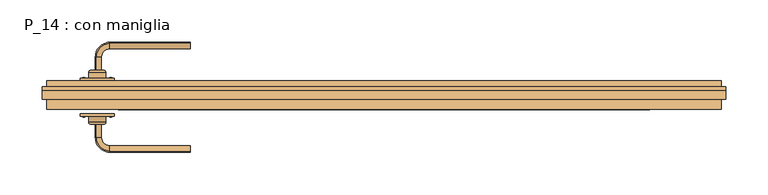
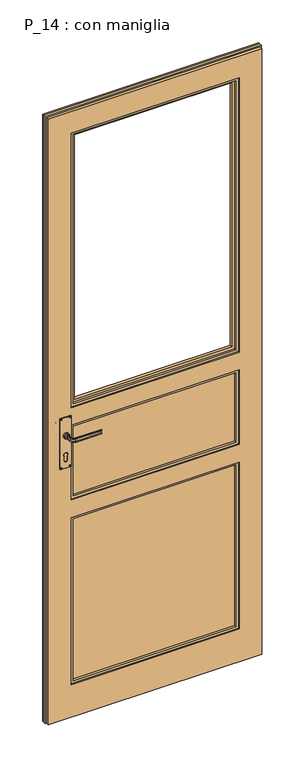
"""IFC4 building model written with IfcOpenShell, lengths in millimetres: door geometry, P_14 : con maniglia."""

from ifc_helpers import new_model, si_unit, point, frame, frame_2d, origin, place, context, project, spatial, polyline, circle_curve, ellipse_curve, trimmed, segment, composite_curve, outline, extrude, faceted_brep, source, transform, mapped, element, save
from ifc_brep_helpers import plane_surface, cylinder_surface, revolved_surface, extruded_surface, advanced_brep


def p_14_con_maniglia_9739fcd3(model_context):
    return source(origin(), model_context, "Body", "SolidModel", [
        advanced_brep(
        [(-340.2627725, 50.5, 1137.25687), (-340.8631279, 50.5, 1123.0401367), (-339.4701466, 50.5, 1125.089211), (-339.4701466, 50.5, 1134.910789), (-229.0, 18.7372275, 1137.25687), (-229.0, 19.5298534, 1134.910789), (-229.0, 19.5298534, 1125.089211), (-229.0, 18.1368721, 1123.0401367), (-340.2627725, 35.0, 1137.25687), (-340.8631279, 35.0, 1123.0401367), (-324.0, 18.7372275, 1137.25687), (-324.0, 18.1368721, 1123.0401367), (-339.4701466, 35.0, 1134.910789), (-339.4701466, 35.0, 1125.089211), (-324.0, 19.5298534, 1134.910789), (-324.0, 19.5298534, 1125.089211)],
        [
            (0, 1, ellipse_curve(frame((-339.0, 50.5, 1130.0), z_axis=(0.0, 1.0, 0.0), x_axis=(0.0, 0.0, -1.0)), 7.5, 5.0)),
            (1, 2, circle_curve(frame((-340.0289365, 50.5, 1123.9710635), z_axis=(0.0, 1.0, 0.0), x_axis=(-1.0, 0.0, 0.0)), 1.25)),
            (2, 3, ellipse_curve(frame((-339.0, 50.5, 1130.0), z_axis=(0.0, -1.0, 0.0), x_axis=(1.0, 0.0, 0.0)), 2.5, 5.0)),
            (3, 0, circle_curve(frame((-340.0289365, 50.5, 1136.0289365), z_axis=(0.0, 1.0, 0.0), x_axis=(-1.0, 0.0, 0.0)), 1.25)),
            (4, 5, circle_curve(frame((-229.0, 18.9710635, 1136.0289365), z_axis=(1.0, 0.0, 0.0), x_axis=(0.0, -1.0, 0.0)), 1.25)),
            (5, 6, ellipse_curve(frame((-229.0, 20.0, 1130.0), z_axis=(-1.0, 0.0, 0.0), x_axis=(0.0, 1.0, 0.0)), 2.5, 5.0)),
            (6, 7, circle_curve(frame((-229.0, 18.9710635, 1123.9710635), z_axis=(1.0, 0.0, 0.0), x_axis=(0.0, -1.0, 0.0)), 1.25)),
            (7, 4, ellipse_curve(frame((-229.0, 20.0, 1130.0), z_axis=(1.0, 0.0, 0.0), x_axis=(0.0, 0.0, -1.0)), 7.5, 5.0)),
            (0, 8),
            (8, 9, ellipse_curve(frame((-339.0, 35.0, 1130.0), z_axis=(0.0, 1.0, 0.0), x_axis=(0.0, 0.0, -1.0)), 7.5, 5.0)),
            (9, 1),
            (10, 4),
            (7, 11),
            (11, 10, ellipse_curve(frame((-324.0, 20.0, 1130.0), z_axis=(1.0, 0.0, 0.0), x_axis=(0.0, 0.0, -1.0)), 7.5, 5.0)),
            (3, 12),
            (12, 8, circle_curve(frame((-340.0289365, 35.0, 1136.0289365), z_axis=(0.0, 1.0, 0.0), x_axis=(-1.0, 0.0, 0.0)), 1.25)),
            (2, 13),
            (13, 12, ellipse_curve(frame((-339.0, 35.0, 1130.0), z_axis=(0.0, -1.0, 0.0), x_axis=(0.0, 0.0, -1.0)), 5.0, 2.5)),
            (9, 13, circle_curve(frame((-340.0289365, 35.0, 1123.9710635), z_axis=(0.0, 1.0, 0.0), x_axis=(-1.0, 0.0, 0.0)), 1.25)),
            (14, 5),
            (10, 14, circle_curve(frame((-324.0, 18.9710635, 1136.0289365), z_axis=(1.0, 0.0, 0.0), x_axis=(0.0, -1.0, 0.0)), 1.25)),
            (15, 6),
            (14, 15, ellipse_curve(frame((-324.0, 20.0, 1130.0), z_axis=(-1.0, 0.0, 0.0), x_axis=(0.0, 0.0, -1.0)), 5.0, 2.5)),
            (15, 11, circle_curve(frame((-324.0, 18.9710635, 1123.9710635), z_axis=(1.0, 0.0, 0.0), x_axis=(0.0, -1.0, 0.0)), 1.25)),
            (10, 8, circle_curve(frame((-324.0, 35.0, 1137.25687), z_axis=(0.0, 0.0, -1.0), x_axis=(-1.0, 0.0, 0.0)), 16.2627725)),
            (12, 14, circle_curve(frame((-324.0, 35.0, 1134.910789), z_axis=(0.0, 0.0, 1.0), x_axis=(-1.0, 0.0, 0.0)), 15.4701466)),
            (13, 15, circle_curve(frame((-324.0, 35.0, 1125.089211), z_axis=(0.0, 0.0, 1.0), x_axis=(-1.0, 0.0, 0.0)), 15.4701466)),
            (9, 11, circle_curve(frame((-324.0, 35.0, 1123.0401367), z_axis=(0.0, 0.0, 1.0), x_axis=(-1.0, 0.0, 0.0)), 16.8631279)),
        ],
        [
            plane_surface(frame((-339.0, 50.5, 0.0), z_axis=(0.0, 1.0, 0.0), x_axis=(0.0, 0.0, 1.0))),
            plane_surface(frame((-229.0, 20.0, 0.0), z_axis=(1.0, 0.0, 0.0), x_axis=(0.0, 0.0, 1.0))),
            extruded_surface(trimmed(ellipse_curve(frame((-339.0, 50.5, 1130.0), z_axis=(0.0, -1.0, 0.0), x_axis=(0.0, 0.0, -1.0)), 7.5, 5.0), [point((-340.8631279, 50.5, 1123.0401367))], [point((-340.2627725, 50.5, 1137.25687))], True, "CARTESIAN"), (0.0, -15.5, 0.0), 15.5),
            extruded_surface(trimmed(ellipse_curve(frame((-324.0, 20.0, 1130.0), z_axis=(1.0, 0.0, 0.0), x_axis=(0.0, 0.0, -1.0)), 7.5, 5.0), [point((-324.0, 18.1368721, 1123.0401367))], [point((-324.0, 18.7372275, 1137.25687))], True, "CARTESIAN"), (95.0, 0.0, 0.0), 95.0),
            cylinder_surface(frame((-340.0289365, 50.5, 1136.0289365), z_axis=(0.0, 1.0, 0.0), x_axis=(-1.0, 0.0, 0.0)), 1.25),
            extruded_surface(trimmed(ellipse_curve(frame((-339.0, 50.5, 1130.0), z_axis=(0.0, 1.0, 0.0), x_axis=(1.0, 0.0, 0.0)), 2.5, 5.0), [point((-339.4701466, 50.5, 1134.910789))], [point((-339.4701466, 50.5, 1125.089211))], True, "CARTESIAN"), (0.0, -15.5, 0.0), 15.5),
            cylinder_surface(frame((-340.0289365, 50.5, 1123.9710635), z_axis=(0.0, 1.0, 0.0), x_axis=(-1.0, 0.0, 0.0)), 1.25),
            cylinder_surface(frame((-324.0, 18.9710635, 1136.0289365), z_axis=(-1.0, 0.0, 0.0), x_axis=(0.0, -1.0, 0.0)), 1.25),
            extruded_surface(trimmed(ellipse_curve(frame((-324.0, 20.0, 1130.0), z_axis=(-1.0, 0.0, 0.0), x_axis=(0.0, 1.0, 0.0)), 2.5, 5.0), [point((-324.0, 19.5298534, 1134.910789))], [point((-324.0, 19.5298534, 1125.089211))], True, "CARTESIAN"), (95.0, 0.0, 0.0), 95.0),
            cylinder_surface(frame((-324.0, 18.9710635, 1123.9710635), z_axis=(-1.0, 0.0, 0.0), x_axis=(0.0, -1.0, 0.0)), 1.25),
            revolved_surface(trimmed(ellipse_curve(frame((-340.0289365, 35.0, 1136.0289365), z_axis=(0.0, -1.0, 0.0), x_axis=(-1.0, 0.0, 0.0)), 1.25, 1.25), [point((-340.2627725, 35.0, 1137.25687))], [point((-339.4701466, 35.0, 1134.910789))], True, "CARTESIAN"), (-324.0, 35.0, 0.0), (0.0, 0.0, -1.0)),
            revolved_surface(trimmed(ellipse_curve(frame((-339.0, 35.0, 1130.0), z_axis=(0.0, 1.0, 0.0), x_axis=(1.0, 0.0, 0.0)), 2.5, 5.0), [point((-339.4701466, 35.0, 1134.910789))], [point((-339.4701466, 35.0, 1125.089211))], True, "CARTESIAN"), (-324.0, 35.0, 0.0), (0.0, 0.0, -1.0)),
            revolved_surface(trimmed(ellipse_curve(frame((-340.0289365, 35.0, 1123.9710635), z_axis=(0.0, -1.0, 0.0), x_axis=(-1.0, 0.0, 0.0)), 1.25, 1.25), [point((-339.4701466, 35.0, 1125.089211))], [point((-340.8631279, 35.0, 1123.0401367))], True, "CARTESIAN"), (-324.0, 35.0, 0.0), (0.0, 0.0, -1.0)),
            revolved_surface(trimmed(ellipse_curve(frame((-339.0, 35.0, 1130.0), z_axis=(0.0, -1.0, 0.0), x_axis=(0.0, 0.0, -1.0)), 7.5, 5.0), [point((-340.8631279, 35.0, 1123.0401367))], [point((-340.2627725, 35.0, 1137.25687))], True, "CARTESIAN"), (-324.0, 35.0, 0.0), (0.0, 0.0, -1.0)),
        ],
        [
            (0, [[1, 2, 3, 4]]),
            (1, [[5, 6, 7, 8]]),
            (2, [[9, 10, 11, -1]]),
            (3, [[12, -8, 13, 14]]),
            (4, [[15, 16, -9, -4]]),
            (5, [[17, 18, -15, -3]]),
            (6, [[-11, 19, -17, -2]]),
            (7, [[20, -5, -12, 21]]),
            (8, [[22, -6, -20, 23]]),
            (9, [[-13, -7, -22, 24]]),
            (10, [[-21, 25, -16, 26]]),
            (11, [[-23, -26, -18, 27]]),
            (12, [[-24, -27, -19, 28]]),
            (13, [[-14, -28, -10, -25]]),
        ],
    ),
        advanced_brep(
        [(-331.5, 50.5, 1130.0), (-339.0, 50.5, 1130.0), (-346.5, 50.5, 1130.0), (-329.0, 53.0, 1130.0), (-349.0, 53.0, 1130.0), (-329.0, 60.0, 1130.0), (-349.0, 60.0, 1130.0), (-339.0, 60.0, 1130.0)],
        [
            (0, 1),
            (1, 2),
            (2, 0, circle_curve(frame((-339.0, 50.5, 1130.0), z_axis=(0.0, -1.0, 0.0), x_axis=(-1.0, 0.0, 0.0)), 7.5)),
            (0, 2, circle_curve(frame((-339.0, 50.5, 1130.0), z_axis=(0.0, -1.0, 0.0), x_axis=(-1.0, 0.0, 0.0)), 7.5)),
            (3, 0, circle_curve(frame((-331.5, 53.0, 1130.0), z_axis=(0.0, 0.0, -1.0), x_axis=(-1.0, 0.0, 0.0)), 2.5)),
            (2, 4, circle_curve(frame((-346.5, 53.0, 1130.0), z_axis=(0.0, 0.0, -1.0), x_axis=(1.0, 0.0, 0.0)), 2.5)),
            (4, 3, circle_curve(frame((-339.0, 53.0, 1130.0), z_axis=(0.0, -1.0, 0.0), x_axis=(-1.0, 0.0, 0.0)), 10.0)),
            (3, 4, circle_curve(frame((-339.0, 53.0, 1130.0), z_axis=(0.0, -1.0, 0.0), x_axis=(-1.0, 0.0, 0.0)), 10.0)),
            (5, 3),
            (4, 6),
            (6, 5, circle_curve(frame((-339.0, 60.0, 1130.0), z_axis=(0.0, -1.0, 0.0), x_axis=(-1.0, 0.0, 0.0)), 10.0)),
            (5, 6, circle_curve(frame((-339.0, 60.0, 1130.0), z_axis=(0.0, -1.0, 0.0), x_axis=(-1.0, 0.0, 0.0)), 10.0)),
            (7, 5),
            (6, 7),
        ],
        [
            plane_surface(frame((-339.0, 50.5, 1130.0), z_axis=(0.0, -1.0, 0.0), x_axis=(-1.0, 0.0, 0.0))),
            revolved_surface(trimmed(ellipse_curve(frame((-346.5, 53.0, 1130.0), z_axis=(0.0, 0.0, -1.0), x_axis=(1.0, 0.0, 0.0)), 2.5, 2.5), [point((-346.5, 50.5, 1130.0))], [point((-349.0, 53.0, 1130.0))], True, "CARTESIAN"), (-339.0, 53.0, 1130.0), (0.0, 1.0, 0.0)),
            cylinder_surface(frame((-339.0, 53.0, 1130.0), z_axis=(0.0, 1.0, 0.0), x_axis=(-1.0, 0.0, 0.0)), 10.0),
            plane_surface(frame((-339.0, 60.0, 1130.0), z_axis=(0.0, 1.0, 0.0), x_axis=(-1.0, 0.0, 0.0))),
        ],
        [
            (0, [[1, 2, 3]]),
            (0, [[-2, -1, 4]]),
            (1, [[5, -3, 6, 7]]),
            (1, [[-6, -4, -5, 8]]),
            (2, [[9, -7, 10, 11]]),
            (2, [[-10, -8, -9, 12]]),
            (3, [[13, -11, 14]]),
            (3, [[-14, -12, -13]]),
        ],
    ),
        advanced_brep(
        [(-357.2384844, 60.0, 1004.0384844), (-355.0, 60.0, 1004.0384844), (-352.7615156, 60.0, 1004.0384844), (-355.0, 59.0934411, 1004.0384844)],
        [
            (0, 1),
            (1, 2),
            (2, 0, circle_curve(frame((-355.0, 60.0, 1004.0384844), z_axis=(0.0, 1.0, 0.0), x_axis=(1.0, 0.0, 0.0)), 2.2384844)),
            (0, 2, circle_curve(frame((-355.0, 60.0, 1004.0384844), z_axis=(0.0, 1.0, 0.0), x_axis=(1.0, 0.0, 0.0)), 2.2384844)),
            (3, 0, circle_curve(frame((-355.0, 62.3103648, 1004.0384844), z_axis=(0.0, 0.0, -1.0), x_axis=(0.0, -1.0, 0.0)), 3.2169236)),
            (2, 3, circle_curve(frame((-355.0, 62.3103648, 1004.0384844), z_axis=(0.0, 0.0, -1.0), x_axis=(0.0, -1.0, 0.0)), 3.2169236)),
        ],
        [
            plane_surface(frame((-355.0, 60.0, 1004.0384844), z_axis=(0.0, 1.0, 0.0), x_axis=(1.0, 0.0, 0.0))),
            revolved_surface(trimmed(ellipse_curve(frame((-355.0, 62.3103648, 1004.0384844), z_axis=(0.0, 0.0, -1.0), x_axis=(0.0, -1.0, 0.0)), 3.2169236, 3.2169236), [point((-352.7615156, 60.0, 1004.0384844))], [point((-355.0, 59.0934411, 1004.0384844))], True, "CARTESIAN"), (-355.0, 65.6130164, 1004.0384844), (0.0, -1.0, 0.0)),
        ],
        [
            (0, [[1, 2, 3]]),
            (0, [[-2, -1, 4]]),
            (1, [[5, -3, 6]]),
            (1, [[-6, -4, -5]]),
        ],
    ),
        advanced_brep(
        [(-323.0, 60.0, 1004.0384844), (-320.7615156, 60.0, 1004.0384844), (-325.2384844, 60.0, 1004.0384844), (-323.0, 59.0934411, 1004.0384844)],
        [
            (0, 1),
            (1, 2, circle_curve(frame((-323.0, 60.0, 1004.0384844), z_axis=(0.0, 1.0, 0.0), x_axis=(-1.0, 0.0, 0.0)), 2.2384844)),
            (2, 0),
            (2, 1, circle_curve(frame((-323.0, 60.0, 1004.0384844), z_axis=(0.0, 1.0, 0.0), x_axis=(-1.0, 0.0, 0.0)), 2.2384844)),
            (1, 3, circle_curve(frame((-323.0, 62.3103648, 1004.0384844), z_axis=(0.0, 0.0, -1.0), x_axis=(0.0, 1.0, 0.0)), 3.2169236)),
            (3, 2, circle_curve(frame((-323.0, 62.3103648, 1004.0384844), z_axis=(0.0, 0.0, -1.0), x_axis=(0.0, 1.0, 0.0)), 3.2169236)),
        ],
        [
            plane_surface(frame((-323.0, 60.0, 1004.0384844), z_axis=(0.0, 1.0, 0.0), x_axis=(-1.0, 0.0, 0.0))),
            revolved_surface(trimmed(ellipse_curve(frame((-323.0, 62.3103648, 1004.0384844), z_axis=(0.0, 0.0, -1.0), x_axis=(0.0, 1.0, 0.0)), 3.2169236, 3.2169236), [point((-323.0, 59.0934411, 1004.0384844))], [point((-325.2384844, 60.0, 1004.0384844))], True, "CARTESIAN"), (-323.0, 65.6130164, 1004.0384844), (0.0, 1.0, 0.0)),
        ],
        [
            (0, [[1, 2, 3]]),
            (0, [[-3, 4, -1]]),
            (1, [[5, 6, -2]]),
            (1, [[-6, -5, -4]]),
        ],
    ),
        advanced_brep(
        [(-357.2384844, 60.0, 1195.9615156), (-355.0, 60.0, 1195.9615156), (-352.7615156, 60.0, 1195.9615156), (-355.0, 59.0934411, 1195.9615156)],
        [
            (0, 1),
            (1, 2),
            (2, 0, circle_curve(frame((-355.0, 60.0, 1195.9615156), z_axis=(0.0, 1.0, 0.0), x_axis=(1.0, 0.0, 0.0)), 2.2384844)),
            (0, 2, circle_curve(frame((-355.0, 60.0, 1195.9615156), z_axis=(0.0, 1.0, 0.0), x_axis=(1.0, 0.0, 0.0)), 2.2384844)),
            (3, 0, circle_curve(frame((-355.0, 62.3103648, 1195.9615156), z_axis=(0.0, 0.0, -1.0), x_axis=(1.0, 0.0, 0.0)), 3.2169236)),
            (2, 3, circle_curve(frame((-355.0, 62.3103648, 1195.9615156), z_axis=(0.0, 0.0, -1.0), x_axis=(-1.0, 0.0, 0.0)), 3.2169236)),
        ],
        [
            plane_surface(frame((-355.0, 60.0, 1195.9615156), z_axis=(0.0, 1.0, 0.0), x_axis=(1.0, 0.0, 0.0))),
            revolved_surface(trimmed(ellipse_curve(frame((-355.0, 62.3103648, 1195.9615156), z_axis=(0.0, 0.0, -1.0), x_axis=(-1.0, 0.0, 0.0)), 3.2169236, 3.2169236), [point((-352.7615156, 60.0, 1195.9615156))], [point((-355.0, 59.0934411, 1195.9615156))], True, "CARTESIAN"), (-355.0, 65.6130164, 1195.9615156), (0.0, -1.0, 0.0)),
        ],
        [
            (0, [[1, 2, 3]]),
            (0, [[-2, -1, 4]]),
            (1, [[5, -3, 6]]),
            (1, [[-6, -4, -5]]),
        ],
    ),
        advanced_brep(
        [(-323.0, 60.0, 1195.9615156), (-320.7615156, 60.0, 1195.9615156), (-325.2384844, 60.0, 1195.9615156), (-323.0, 59.0934411, 1195.9615156)],
        [
            (0, 1),
            (1, 2, circle_curve(frame((-323.0, 60.0, 1195.9615156), z_axis=(0.0, 1.0, 0.0), x_axis=(-1.0, 0.0, 0.0)), 2.2384844)),
            (2, 0),
            (2, 1, circle_curve(frame((-323.0, 60.0, 1195.9615156), z_axis=(0.0, 1.0, 0.0), x_axis=(-1.0, 0.0, 0.0)), 2.2384844)),
            (1, 3, circle_curve(frame((-323.0, 62.3103648, 1195.9615156), z_axis=(0.0, 0.0, -1.0), x_axis=(-1.0, 0.0, 0.0)), 3.2169236)),
            (3, 2, circle_curve(frame((-323.0, 62.3103648, 1195.9615156), z_axis=(0.0, 0.0, -1.0), x_axis=(1.0, 0.0, 0.0)), 3.2169236)),
        ],
        [
            plane_surface(frame((-323.0, 60.0, 1195.9615156), z_axis=(0.0, 1.0, 0.0), x_axis=(-1.0, 0.0, 0.0))),
            revolved_surface(trimmed(ellipse_curve(frame((-323.0, 62.3103648, 1195.9615156), z_axis=(0.0, 0.0, -1.0), x_axis=(1.0, 0.0, 0.0)), 3.2169236, 3.2169236), [point((-323.0, 59.0934411, 1195.9615156))], [point((-325.2384844, 60.0, 1195.9615156))], True, "CARTESIAN"), (-323.0, 65.6130164, 1195.9615156), (0.0, 1.0, 0.0)),
        ],
        [
            (0, [[1, 2, 3]]),
            (0, [[-3, 4, -1]]),
            (1, [[5, 6, -2]]),
            (1, [[-6, -5, -4]]),
        ],
    ),
        extrude(outline(composite_curve([segment(trimmed(circle_curve(frame_2d((1196.0, -323.0)), 2.0), [point((1196.0, -321.0))], [point((1196.0, -325.0))], False, "CARTESIAN"), True, "CONTINUOUS"), segment(trimmed(circle_curve(frame_2d((1196.0, -323.0)), 2.0), [point((1196.0, -325.0))], [point((1196.0, -321.0))], False, "CARTESIAN"), True, "CONTINUOUS")], self_intersect=False)), frame((0.0, 60.0, 0.0), z_axis=(0.0, 1.0, 0.0), x_axis=(0.0, 0.0, 1.0)), (0.0, 0.0, 1.0), 3.0),
        extrude(outline(composite_curve([segment(trimmed(circle_curve(frame_2d((1196.0, -355.0)), 2.0), [point((1196.0, -357.0))], [point((1196.0, -353.0))], False, "CARTESIAN"), True, "CONTINUOUS"), segment(trimmed(circle_curve(frame_2d((1196.0, -355.0)), 2.0), [point((1196.0, -353.0))], [point((1196.0, -357.0))], False, "CARTESIAN"), True, "CONTINUOUS")], self_intersect=False)), frame((0.0, 60.0, 0.0), z_axis=(0.0, 1.0, 0.0), x_axis=(0.0, 0.0, 1.0)), (0.0, 0.0, 1.0), 3.0),
        extrude(outline(composite_curve([segment(trimmed(circle_curve(frame_2d((1004.0, -323.0)), 2.0), [point((1004.0, -325.0))], [point((1004.0, -321.0))], False, "CARTESIAN"), True, "CONTINUOUS"), segment(trimmed(circle_curve(frame_2d((1004.0, -323.0)), 2.0), [point((1004.0, -321.0))], [point((1004.0, -325.0))], False, "CARTESIAN"), True, "CONTINUOUS")], self_intersect=False)), frame((0.0, 60.0, 0.0), z_axis=(0.0, 1.0, 0.0), x_axis=(0.0, 0.0, 1.0)), (0.0, 0.0, 1.0), 3.0),
        extrude(outline(composite_curve([segment(trimmed(circle_curve(frame_2d((1004.0, -355.0)), 2.0), [point((1004.0, -357.0))], [point((1004.0, -353.0))], False, "CARTESIAN"), True, "CONTINUOUS"), segment(trimmed(circle_curve(frame_2d((1004.0, -355.0)), 2.0), [point((1004.0, -353.0))], [point((1004.0, -357.0))], False, "CARTESIAN"), True, "CONTINUOUS")], self_intersect=False)), frame((0.0, 60.0, 0.0), z_axis=(0.0, 1.0, 0.0), x_axis=(0.0, 0.0, 1.0)), (0.0, 0.0, 1.0), 3.0),
        extrude(outline(composite_curve([segment(polyline([(1046.9098301, -344.0), (1030.0, -344.0)]), True, "CONTINUOUS"), segment(trimmed(circle_curve(frame_2d((1030.0, -339.0)), 5.0), [point((1030.0, -344.0))], [point((1030.0, -334.0))], False, "CARTESIAN"), True, "CONTINUOUS"), segment(polyline([(1030.0, -334.0), (1046.9098301, -334.0)]), True, "CONTINUOUS"), segment(trimmed(circle_curve(frame_2d((1052.5, -339.0)), 7.5), [point((1046.9098301, -334.0))], [point((1046.9098301, -344.0))], False, "CARTESIAN"), True, "CONTINUOUS")], self_intersect=False)), frame((0.0, 61.0, 0.0), z_axis=(0.0, 1.0, 0.0), x_axis=(0.0, 0.0, 1.0)), (0.0, 0.0, 1.0), 2.0),
        extrude(outline(polyline([(1200.0, -359.0), (1000.0, -359.0), (1000.0, -319.0), (1200.0, -319.0), (1200.0, -359.0)]), holes=[composite_curve([segment(polyline([(1046.9098301, -334.0), (1030.0, -334.0)]), True, "CONTINUOUS"), segment(trimmed(circle_curve(frame_2d((1030.0, -339.0)), 5.0), [point((1030.0, -334.0))], [point((1030.0, -344.0))], True, "CARTESIAN"), True, "CONTINUOUS"), segment(polyline([(1030.0, -344.0), (1046.9098301, -344.0)]), True, "CONTINUOUS"), segment(trimmed(circle_curve(frame_2d((1052.5, -339.0)), 7.5), [point((1046.9098301, -344.0))], [point((1046.9098301, -334.0))], True, "CARTESIAN"), True, "CONTINUOUS")], self_intersect=False), composite_curve([segment(trimmed(circle_curve(frame_2d((1004.0, -323.0)), 2.0), [point((1004.0, -321.0))], [point((1004.0, -325.0))], True, "CARTESIAN"), True, "CONTINUOUS"), segment(trimmed(circle_curve(frame_2d((1004.0, -323.0)), 2.0), [point((1004.0, -325.0))], [point((1004.0, -321.0))], True, "CARTESIAN"), True, "CONTINUOUS")], self_intersect=False), composite_curve([segment(trimmed(circle_curve(frame_2d((1004.0, -355.0)), 2.0), [point((1004.0, -353.0))], [point((1004.0, -357.0))], True, "CARTESIAN"), True, "CONTINUOUS"), segment(trimmed(circle_curve(frame_2d((1004.0, -355.0)), 2.0), [point((1004.0, -357.0))], [point((1004.0, -353.0))], True, "CARTESIAN"), True, "CONTINUOUS")], self_intersect=False), composite_curve([segment(trimmed(circle_curve(frame_2d((1196.0, -323.0)), 2.0), [point((1196.0, -321.0))], [point((1196.0, -325.0))], True, "CARTESIAN"), True, "CONTINUOUS"), segment(trimmed(circle_curve(frame_2d((1196.0, -323.0)), 2.0), [point((1196.0, -325.0))], [point((1196.0, -321.0))], True, "CARTESIAN"), True, "CONTINUOUS")], self_intersect=False), composite_curve([segment(trimmed(circle_curve(frame_2d((1196.0, -355.0)), 2.0), [point((1196.0, -353.0))], [point((1196.0, -357.0))], True, "CARTESIAN"), True, "CONTINUOUS"), segment(trimmed(circle_curve(frame_2d((1196.0, -355.0)), 2.0), [point((1196.0, -357.0))], [point((1196.0, -353.0))], True, "CARTESIAN"), True, "CONTINUOUS")], self_intersect=False)]), frame((0.0, 60.0, 0.0), z_axis=(0.0, 1.0, 0.0), x_axis=(0.0, 0.0, 1.0)), (0.0, 0.0, 1.0), 3.0),
        advanced_brep(
        [(-340.2627725, 114.5, 1137.25687), (-339.4701466, 114.5, 1134.910789), (-339.4701466, 114.5, 1125.089211), (-340.8631279, 114.5, 1123.0401367), (-229.0, 146.2627725, 1137.25687), (-229.0, 146.8631279, 1123.0401367), (-229.0, 145.4701466, 1125.089211), (-229.0, 145.4701466, 1134.910789), (-340.8631279, 130.0, 1123.0401367), (-340.2627725, 130.0, 1137.25687), (-324.0, 146.2627725, 1137.25687), (-324.0, 146.8631279, 1123.0401367), (-339.4701466, 130.0, 1134.910789), (-339.4701466, 130.0, 1125.089211), (-324.0, 145.4701466, 1134.910789), (-324.0, 145.4701466, 1125.089211)],
        [
            (0, 1, circle_curve(frame((-340.0289365, 114.5, 1136.0289365), z_axis=(0.0, -1.0, 0.0), x_axis=(-1.0, 0.0, 0.0)), 1.25)),
            (1, 2, ellipse_curve(frame((-339.0, 114.5, 1130.0), z_axis=(0.0, 1.0, 0.0), x_axis=(1.0, 0.0, 0.0)), 2.5, 5.0)),
            (2, 3, circle_curve(frame((-340.0289365, 114.5, 1123.9710635), z_axis=(0.0, -1.0, 0.0), x_axis=(-1.0, 0.0, 0.0)), 1.25)),
            (3, 0, ellipse_curve(frame((-339.0, 114.5, 1130.0), z_axis=(0.0, -1.0, 0.0), x_axis=(0.0, 0.0, -1.0)), 7.5, 5.0)),
            (4, 5, ellipse_curve(frame((-229.0, 145.0, 1130.0), z_axis=(1.0, 0.0, 0.0), x_axis=(0.0, 0.0, -1.0)), 7.5, 5.0)),
            (5, 6, circle_curve(frame((-229.0, 146.0289365, 1123.9710635), z_axis=(1.0, 0.0, 0.0), x_axis=(0.0, 1.0, 0.0)), 1.25)),
            (6, 7, ellipse_curve(frame((-229.0, 145.0, 1130.0), z_axis=(-1.0, 0.0, 0.0), x_axis=(0.0, -1.0, 0.0)), 2.5, 5.0)),
            (7, 4, circle_curve(frame((-229.0, 146.0289365, 1136.0289365), z_axis=(1.0, 0.0, 0.0), x_axis=(0.0, 1.0, 0.0)), 1.25)),
            (3, 8),
            (8, 9, ellipse_curve(frame((-339.0, 130.0, 1130.0), z_axis=(0.0, -1.0, 0.0), x_axis=(0.0, 0.0, -1.0)), 7.5, 5.0)),
            (9, 0),
            (10, 11, ellipse_curve(frame((-324.0, 145.0, 1130.0), z_axis=(1.0, 0.0, 0.0), x_axis=(0.0, 0.0, -1.0)), 7.5, 5.0)),
            (11, 5),
            (4, 10),
            (9, 12, circle_curve(frame((-340.0289365, 130.0, 1136.0289365), z_axis=(0.0, -1.0, 0.0), x_axis=(-1.0, 0.0, 0.0)), 1.25)),
            (12, 1),
            (12, 13, ellipse_curve(frame((-339.0, 130.0, 1130.0), z_axis=(0.0, 1.0, 0.0), x_axis=(0.0, 0.0, -1.0)), 5.0, 2.5)),
            (13, 2),
            (13, 8, circle_curve(frame((-340.0289365, 130.0, 1123.9710635), z_axis=(0.0, -1.0, 0.0), x_axis=(-1.0, 0.0, 0.0)), 1.25)),
            (14, 10, circle_curve(frame((-324.0, 146.0289365, 1136.0289365), z_axis=(1.0, 0.0, 0.0), x_axis=(0.0, 1.0, 0.0)), 1.25)),
            (7, 14),
            (15, 14, ellipse_curve(frame((-324.0, 145.0, 1130.0), z_axis=(-1.0, 0.0, 0.0), x_axis=(0.0, 0.0, -1.0)), 5.0, 2.5)),
            (6, 15),
            (11, 15, circle_curve(frame((-324.0, 146.0289365, 1123.9710635), z_axis=(1.0, 0.0, 0.0), x_axis=(0.0, 1.0, 0.0)), 1.25)),
            (14, 12, circle_curve(frame((-324.0, 130.0, 1134.910789), z_axis=(0.0, 0.0, 1.0), x_axis=(-1.0, 0.0, 0.0)), 15.4701466)),
            (9, 10, circle_curve(frame((-324.0, 130.0, 1137.25687), z_axis=(0.0, 0.0, -1.0), x_axis=(-1.0, 0.0, 0.0)), 16.2627725)),
            (15, 13, circle_curve(frame((-324.0, 130.0, 1125.089211), z_axis=(0.0, 0.0, 1.0), x_axis=(-1.0, 0.0, 0.0)), 15.4701466)),
            (11, 8, circle_curve(frame((-324.0, 130.0, 1123.0401367), z_axis=(0.0, 0.0, 1.0), x_axis=(-1.0, 0.0, 0.0)), 16.8631279)),
        ],
        [
            plane_surface(frame((-339.0, 114.5, 0.0), z_axis=(0.0, -1.0, 0.0), x_axis=(0.0, 0.0, 1.0))),
            plane_surface(frame((-229.0, 145.0, 0.0), z_axis=(1.0, 0.0, 0.0), x_axis=(0.0, 0.0, 1.0))),
            extruded_surface(trimmed(ellipse_curve(frame((-339.0, 130.0, 1130.0), z_axis=(0.0, -1.0, 0.0), x_axis=(0.0, 0.0, -1.0)), 7.5, 5.0), [point((-340.8631279, 130.0, 1123.0401367))], [point((-340.2627725, 130.0, 1137.25687))], True, "CARTESIAN"), (0.0, -15.5, 0.0), 15.5),
            extruded_surface(trimmed(ellipse_curve(frame((-229.0, 145.0, 1130.0), z_axis=(-1.0, 0.0, 0.0), x_axis=(0.0, 0.0, -1.0)), 7.5, 5.0), [point((-229.0, 146.8631279, 1123.0401367))], [point((-229.0, 146.2627725, 1137.25687))], True, "CARTESIAN"), (-95.0, 0.0, 0.0), 95.0),
            cylinder_surface(frame((-340.0289365, 114.5, 1136.0289365), z_axis=(0.0, -1.0, 0.0), x_axis=(-1.0, 0.0, 0.0)), 1.25),
            extruded_surface(trimmed(ellipse_curve(frame((-339.0, 130.0, 1130.0), z_axis=(0.0, 1.0, 0.0), x_axis=(1.0, 0.0, 0.0)), 2.5, 5.0), [point((-339.4701466, 130.0, 1134.910789))], [point((-339.4701466, 130.0, 1125.089211))], True, "CARTESIAN"), (0.0, -15.5, 0.0), 15.5),
            cylinder_surface(frame((-340.0289365, 114.5, 1123.9710635), z_axis=(0.0, -1.0, 0.0), x_axis=(-1.0, 0.0, 0.0)), 1.25),
            cylinder_surface(frame((-324.0, 146.0289365, 1136.0289365), z_axis=(-1.0, 0.0, 0.0), x_axis=(0.0, 1.0, 0.0)), 1.25),
            extruded_surface(trimmed(ellipse_curve(frame((-229.0, 145.0, 1130.0), z_axis=(1.0, 0.0, 0.0), x_axis=(0.0, -1.0, 0.0)), 2.5, 5.0), [point((-229.0, 145.4701466, 1134.910789))], [point((-229.0, 145.4701466, 1125.089211))], True, "CARTESIAN"), (-95.0, 0.0, 0.0), 95.0),
            cylinder_surface(frame((-324.0, 146.0289365, 1123.9710635), z_axis=(-1.0, 0.0, 0.0), x_axis=(0.0, 1.0, 0.0)), 1.25),
            revolved_surface(trimmed(ellipse_curve(frame((-340.0289365, 130.0, 1136.0289365), z_axis=(0.0, -1.0, 0.0), x_axis=(-1.0, 0.0, 0.0)), 1.25, 1.25), [point((-340.2627725, 130.0, 1137.25687))], [point((-339.4701466, 130.0, 1134.910789))], True, "CARTESIAN"), (-324.0, 130.0, 0.0), (0.0, 0.0, -1.0)),
            revolved_surface(trimmed(ellipse_curve(frame((-339.0, 130.0, 1130.0), z_axis=(0.0, 1.0, 0.0), x_axis=(1.0, 0.0, 0.0)), 2.5, 5.0), [point((-339.4701466, 130.0, 1134.910789))], [point((-339.4701466, 130.0, 1125.089211))], True, "CARTESIAN"), (-324.0, 130.0, 0.0), (0.0, 0.0, -1.0)),
            revolved_surface(trimmed(ellipse_curve(frame((-340.0289365, 130.0, 1123.9710635), z_axis=(0.0, -1.0, 0.0), x_axis=(-1.0, 0.0, 0.0)), 1.25, 1.25), [point((-339.4701466, 130.0, 1125.089211))], [point((-340.8631279, 130.0, 1123.0401367))], True, "CARTESIAN"), (-324.0, 130.0, 0.0), (0.0, 0.0, -1.0)),
            revolved_surface(trimmed(ellipse_curve(frame((-339.0, 130.0, 1130.0), z_axis=(0.0, -1.0, 0.0), x_axis=(0.0, 0.0, -1.0)), 7.5, 5.0), [point((-340.8631279, 130.0, 1123.0401367))], [point((-340.2627725, 130.0, 1137.25687))], True, "CARTESIAN"), (-324.0, 130.0, 0.0), (0.0, 0.0, -1.0)),
        ],
        [
            (0, [[1, 2, 3, 4]]),
            (1, [[5, 6, 7, 8]]),
            (2, [[-4, 9, 10, 11]]),
            (3, [[12, 13, -5, 14]]),
            (4, [[-1, -11, 15, 16]]),
            (5, [[-2, -16, 17, 18]]),
            (6, [[-3, -18, 19, -9]]),
            (7, [[20, -14, -8, 21]]),
            (8, [[22, -21, -7, 23]]),
            (9, [[24, -23, -6, -13]]),
            (10, [[25, -15, 26, -20]]),
            (11, [[27, -17, -25, -22]]),
            (12, [[28, -19, -27, -24]]),
            (13, [[-26, -10, -28, -12]]),
        ],
    ),
        advanced_brep(
        [(-331.5, 114.5, 1130.0), (-346.5, 114.5, 1130.0), (-339.0, 114.5, 1130.0), (-329.0, 112.0, 1130.0), (-349.0, 112.0, 1130.0), (-329.0, 105.0, 1130.0), (-349.0, 105.0, 1130.0), (-339.0, 105.0, 1130.0)],
        [
            (0, 1, circle_curve(frame((-339.0, 114.5, 1130.0), z_axis=(0.0, 1.0, 0.0), x_axis=(-1.0, 0.0, 0.0)), 7.5)),
            (1, 2),
            (2, 0),
            (1, 0, circle_curve(frame((-339.0, 114.5, 1130.0), z_axis=(0.0, 1.0, 0.0), x_axis=(-1.0, 0.0, 0.0)), 7.5)),
            (3, 4, circle_curve(frame((-339.0, 112.0, 1130.0), z_axis=(0.0, 1.0, 0.0), x_axis=(-1.0, 0.0, 0.0)), 10.0)),
            (4, 1, circle_curve(frame((-346.5, 112.0, 1130.0), z_axis=(0.0, 0.0, -1.0), x_axis=(1.0, 0.0, 0.0)), 2.5)),
            (0, 3, circle_curve(frame((-331.5, 112.0, 1130.0), z_axis=(0.0, 0.0, -1.0), x_axis=(-1.0, 0.0, 0.0)), 2.5)),
            (4, 3, circle_curve(frame((-339.0, 112.0, 1130.0), z_axis=(0.0, 1.0, 0.0), x_axis=(-1.0, 0.0, 0.0)), 10.0)),
            (5, 6, circle_curve(frame((-339.0, 105.0, 1130.0), z_axis=(0.0, 1.0, 0.0), x_axis=(-1.0, 0.0, 0.0)), 10.0)),
            (6, 4),
            (3, 5),
            (6, 5, circle_curve(frame((-339.0, 105.0, 1130.0), z_axis=(0.0, 1.0, 0.0), x_axis=(-1.0, 0.0, 0.0)), 10.0)),
            (7, 6),
            (5, 7),
        ],
        [
            plane_surface(frame((-339.0, 114.5, 1130.0), z_axis=(0.0, 1.0, 0.0), x_axis=(-1.0, 0.0, 0.0))),
            revolved_surface(trimmed(ellipse_curve(frame((-346.5, 112.0, 1130.0), z_axis=(0.0, 0.0, 1.0), x_axis=(1.0, 0.0, 0.0)), 2.5, 2.5), [point((-346.5, 114.5, 1130.0))], [point((-349.0, 112.0, 1130.0))], True, "CARTESIAN"), (-339.0, 112.0, 1130.0), (0.0, -1.0, 0.0)),
            cylinder_surface(frame((-339.0, 112.0, 1130.0), z_axis=(0.0, -1.0, 0.0), x_axis=(-1.0, 0.0, 0.0)), 10.0),
            plane_surface(frame((-339.0, 105.0, 1130.0), z_axis=(0.0, -1.0, 0.0), x_axis=(-1.0, 0.0, 0.0))),
        ],
        [
            (0, [[1, 2, 3]]),
            (0, [[4, -3, -2]]),
            (1, [[5, 6, -1, 7]]),
            (1, [[8, -7, -4, -6]]),
            (2, [[9, 10, -5, 11]]),
            (2, [[12, -11, -8, -10]]),
            (3, [[13, -9, 14]]),
            (3, [[-14, -12, -13]]),
        ],
    ),
        advanced_brep(
        [(-357.2384844, 105.0, 1004.0384844), (-352.7615156, 105.0, 1004.0384844), (-355.0, 105.0, 1004.0384844), (-355.0, 105.9065589, 1004.0384844)],
        [
            (0, 1, circle_curve(frame((-355.0, 105.0, 1004.0384844), z_axis=(0.0, -1.0, 0.0), x_axis=(1.0, 0.0, 0.0)), 2.2384844)),
            (1, 2),
            (2, 0),
            (1, 0, circle_curve(frame((-355.0, 105.0, 1004.0384844), z_axis=(0.0, -1.0, 0.0), x_axis=(1.0, 0.0, 0.0)), 2.2384844)),
            (3, 1, circle_curve(frame((-355.0, 102.6896352, 1004.0384844), z_axis=(0.0, 0.0, -1.0), x_axis=(0.0, 1.0, 0.0)), 3.2169236)),
            (0, 3, circle_curve(frame((-355.0, 102.6896352, 1004.0384844), z_axis=(0.0, 0.0, -1.0), x_axis=(0.0, 1.0, 0.0)), 3.2169236)),
        ],
        [
            plane_surface(frame((-355.0, 105.0, 1004.0384844), z_axis=(0.0, -1.0, 0.0), x_axis=(1.0, 0.0, 0.0))),
            revolved_surface(trimmed(ellipse_curve(frame((-355.0, 102.6896352, 1004.0384844), z_axis=(0.0, 0.0, 1.0), x_axis=(0.0, 1.0, 0.0)), 3.2169236, 3.2169236), [point((-352.7615156, 105.0, 1004.0384844))], [point((-355.0, 105.9065589, 1004.0384844))], True, "CARTESIAN"), (-355.0, 99.3869836, 1004.0384844), (0.0, 1.0, 0.0)),
        ],
        [
            (0, [[1, 2, 3]]),
            (0, [[4, -3, -2]]),
            (1, [[5, -1, 6]]),
            (1, [[-6, -4, -5]]),
        ],
    ),
        advanced_brep(
        [(-323.0, 105.0, 1004.0384844), (-325.2384844, 105.0, 1004.0384844), (-320.7615156, 105.0, 1004.0384844), (-323.0, 105.9065589, 1004.0384844)],
        [
            (0, 1),
            (1, 2, circle_curve(frame((-323.0, 105.0, 1004.0384844), z_axis=(0.0, -1.0, 0.0), x_axis=(-1.0, 0.0, 0.0)), 2.2384844)),
            (2, 0),
            (2, 1, circle_curve(frame((-323.0, 105.0, 1004.0384844), z_axis=(0.0, -1.0, 0.0), x_axis=(-1.0, 0.0, 0.0)), 2.2384844)),
            (1, 3, circle_curve(frame((-323.0, 102.6896352, 1004.0384844), z_axis=(0.0, 0.0, -1.0), x_axis=(0.0, -1.0, 0.0)), 3.2169236)),
            (3, 2, circle_curve(frame((-323.0, 102.6896352, 1004.0384844), z_axis=(0.0, 0.0, -1.0), x_axis=(0.0, -1.0, 0.0)), 3.2169236)),
        ],
        [
            plane_surface(frame((-323.0, 105.0, 1004.0384844), z_axis=(0.0, -1.0, 0.0), x_axis=(-1.0, 0.0, 0.0))),
            revolved_surface(trimmed(ellipse_curve(frame((-323.0, 102.6896352, 1004.0384844), z_axis=(0.0, 0.0, 1.0), x_axis=(0.0, -1.0, 0.0)), 3.2169236, 3.2169236), [point((-323.0, 105.9065589, 1004.0384844))], [point((-325.2384844, 105.0, 1004.0384844))], True, "CARTESIAN"), (-323.0, 99.3869836, 1004.0384844), (0.0, -1.0, 0.0)),
        ],
        [
            (0, [[1, 2, 3]]),
            (0, [[-3, 4, -1]]),
            (1, [[-2, 5, 6]]),
            (1, [[-4, -6, -5]]),
        ],
    ),
        advanced_brep(
        [(-357.2384844, 105.0, 1195.9615156), (-352.7615156, 105.0, 1195.9615156), (-355.0, 105.0, 1195.9615156), (-355.0, 105.9065589, 1195.9615156)],
        [
            (0, 1, circle_curve(frame((-355.0, 105.0, 1195.9615156), z_axis=(0.0, -1.0, 0.0), x_axis=(1.0, 0.0, 0.0)), 2.2384844)),
            (1, 2),
            (2, 0),
            (1, 0, circle_curve(frame((-355.0, 105.0, 1195.9615156), z_axis=(0.0, -1.0, 0.0), x_axis=(1.0, 0.0, 0.0)), 2.2384844)),
            (3, 1, circle_curve(frame((-355.0, 102.6896352, 1195.9615156), z_axis=(0.0, 0.0, -1.0), x_axis=(-1.0, 0.0, 0.0)), 3.2169236)),
            (0, 3, circle_curve(frame((-355.0, 102.6896352, 1195.9615156), z_axis=(0.0, 0.0, -1.0), x_axis=(1.0, 0.0, 0.0)), 3.2169236)),
        ],
        [
            plane_surface(frame((-355.0, 105.0, 1195.9615156), z_axis=(0.0, -1.0, 0.0), x_axis=(1.0, 0.0, 0.0))),
            revolved_surface(trimmed(ellipse_curve(frame((-355.0, 102.6896352, 1195.9615156), z_axis=(0.0, 0.0, 1.0), x_axis=(-1.0, 0.0, 0.0)), 3.2169236, 3.2169236), [point((-352.7615156, 105.0, 1195.9615156))], [point((-355.0, 105.9065589, 1195.9615156))], True, "CARTESIAN"), (-355.0, 99.3869836, 1195.9615156), (0.0, 1.0, 0.0)),
        ],
        [
            (0, [[1, 2, 3]]),
            (0, [[4, -3, -2]]),
            (1, [[5, -1, 6]]),
            (1, [[-6, -4, -5]]),
        ],
    ),
        advanced_brep(
        [(-323.0, 105.0, 1195.9615156), (-325.2384844, 105.0, 1195.9615156), (-320.7615156, 105.0, 1195.9615156), (-323.0, 105.9065589, 1195.9615156)],
        [
            (0, 1),
            (1, 2, circle_curve(frame((-323.0, 105.0, 1195.9615156), z_axis=(0.0, -1.0, 0.0), x_axis=(-1.0, 0.0, 0.0)), 2.2384844)),
            (2, 0),
            (2, 1, circle_curve(frame((-323.0, 105.0, 1195.9615156), z_axis=(0.0, -1.0, 0.0), x_axis=(-1.0, 0.0, 0.0)), 2.2384844)),
            (1, 3, circle_curve(frame((-323.0, 102.6896352, 1195.9615156), z_axis=(0.0, 0.0, -1.0), x_axis=(1.0, 0.0, 0.0)), 3.2169236)),
            (3, 2, circle_curve(frame((-323.0, 102.6896352, 1195.9615156), z_axis=(0.0, 0.0, -1.0), x_axis=(-1.0, 0.0, 0.0)), 3.2169236)),
        ],
        [
            plane_surface(frame((-323.0, 105.0, 1195.9615156), z_axis=(0.0, -1.0, 0.0), x_axis=(-1.0, 0.0, 0.0))),
            revolved_surface(trimmed(ellipse_curve(frame((-323.0, 102.6896352, 1195.9615156), z_axis=(0.0, 0.0, 1.0), x_axis=(1.0, 0.0, 0.0)), 3.2169236, 3.2169236), [point((-323.0, 105.9065589, 1195.9615156))], [point((-325.2384844, 105.0, 1195.9615156))], True, "CARTESIAN"), (-323.0, 99.3869836, 1195.9615156), (0.0, -1.0, 0.0)),
        ],
        [
            (0, [[1, 2, 3]]),
            (0, [[-3, 4, -1]]),
            (1, [[-2, 5, 6]]),
            (1, [[-4, -6, -5]]),
        ],
    ),
        extrude(outline(composite_curve([segment(trimmed(circle_curve(frame_2d((1196.0, -323.0)), 2.0), [point((1196.0, -321.0))], [point((1196.0, -325.0))], False, "CARTESIAN"), True, "CONTINUOUS"), segment(trimmed(circle_curve(frame_2d((1196.0, -323.0)), 2.0), [point((1196.0, -325.0))], [point((1196.0, -321.0))], False, "CARTESIAN"), True, "CONTINUOUS")], self_intersect=False)), frame((0.0, 102.0, 0.0), z_axis=(0.0, 1.0, 0.0), x_axis=(0.0, 0.0, 1.0)), (0.0, 0.0, 1.0), 3.0),
        extrude(outline(composite_curve([segment(trimmed(circle_curve(frame_2d((1196.0, -355.0)), 2.0), [point((1196.0, -357.0))], [point((1196.0, -353.0))], False, "CARTESIAN"), True, "CONTINUOUS"), segment(trimmed(circle_curve(frame_2d((1196.0, -355.0)), 2.0), [point((1196.0, -353.0))], [point((1196.0, -357.0))], False, "CARTESIAN"), True, "CONTINUOUS")], self_intersect=False)), frame((0.0, 102.0, 0.0), z_axis=(0.0, 1.0, 0.0), x_axis=(0.0, 0.0, 1.0)), (0.0, 0.0, 1.0), 3.0),
        extrude(outline(composite_curve([segment(trimmed(circle_curve(frame_2d((1004.0, -323.0)), 2.0), [point((1004.0, -325.0))], [point((1004.0, -321.0))], False, "CARTESIAN"), True, "CONTINUOUS"), segment(trimmed(circle_curve(frame_2d((1004.0, -323.0)), 2.0), [point((1004.0, -321.0))], [point((1004.0, -325.0))], False, "CARTESIAN"), True, "CONTINUOUS")], self_intersect=False)), frame((0.0, 102.0, 0.0), z_axis=(0.0, 1.0, 0.0), x_axis=(0.0, 0.0, 1.0)), (0.0, 0.0, 1.0), 3.0),
        extrude(outline(composite_curve([segment(trimmed(circle_curve(frame_2d((1004.0, -355.0)), 2.0), [point((1004.0, -357.0))], [point((1004.0, -353.0))], False, "CARTESIAN"), True, "CONTINUOUS"), segment(trimmed(circle_curve(frame_2d((1004.0, -355.0)), 2.0), [point((1004.0, -353.0))], [point((1004.0, -357.0))], False, "CARTESIAN"), True, "CONTINUOUS")], self_intersect=False)), frame((0.0, 102.0, 0.0), z_axis=(0.0, 1.0, 0.0), x_axis=(0.0, 0.0, 1.0)), (0.0, 0.0, 1.0), 3.0),
        extrude(outline(composite_curve([segment(polyline([(1046.9098301, -344.0), (1030.0, -344.0)]), True, "CONTINUOUS"), segment(trimmed(circle_curve(frame_2d((1030.0, -339.0)), 5.0), [point((1030.0, -344.0))], [point((1030.0, -334.0))], False, "CARTESIAN"), True, "CONTINUOUS"), segment(polyline([(1030.0, -334.0), (1046.9098301, -334.0)]), True, "CONTINUOUS"), segment(trimmed(circle_curve(frame_2d((1052.5, -339.0)), 7.5), [point((1046.9098301, -334.0))], [point((1046.9098301, -344.0))], False, "CARTESIAN"), True, "CONTINUOUS")], self_intersect=False)), frame((0.0, 102.0, 0.0), z_axis=(0.0, 1.0, 0.0), x_axis=(0.0, 0.0, 1.0)), (0.0, 0.0, 1.0), 2.0),
        extrude(outline(polyline([(1200.0, -359.0), (1000.0, -359.0), (1000.0, -319.0), (1200.0, -319.0), (1200.0, -359.0)]), holes=[composite_curve([segment(polyline([(1046.9098301, -334.0), (1030.0, -334.0)]), True, "CONTINUOUS"), segment(trimmed(circle_curve(frame_2d((1030.0, -339.0)), 5.0), [point((1030.0, -334.0))], [point((1030.0, -344.0))], True, "CARTESIAN"), True, "CONTINUOUS"), segment(polyline([(1030.0, -344.0), (1046.9098301, -344.0)]), True, "CONTINUOUS"), segment(trimmed(circle_curve(frame_2d((1052.5, -339.0)), 7.5), [point((1046.9098301, -344.0))], [point((1046.9098301, -334.0))], True, "CARTESIAN"), True, "CONTINUOUS")], self_intersect=False), composite_curve([segment(trimmed(circle_curve(frame_2d((1004.0, -323.0)), 2.0), [point((1004.0, -321.0))], [point((1004.0, -325.0))], True, "CARTESIAN"), True, "CONTINUOUS"), segment(trimmed(circle_curve(frame_2d((1004.0, -323.0)), 2.0), [point((1004.0, -325.0))], [point((1004.0, -321.0))], True, "CARTESIAN"), True, "CONTINUOUS")], self_intersect=False), composite_curve([segment(trimmed(circle_curve(frame_2d((1004.0, -355.0)), 2.0), [point((1004.0, -353.0))], [point((1004.0, -357.0))], True, "CARTESIAN"), True, "CONTINUOUS"), segment(trimmed(circle_curve(frame_2d((1004.0, -355.0)), 2.0), [point((1004.0, -357.0))], [point((1004.0, -353.0))], True, "CARTESIAN"), True, "CONTINUOUS")], self_intersect=False), composite_curve([segment(trimmed(circle_curve(frame_2d((1196.0, -323.0)), 2.0), [point((1196.0, -321.0))], [point((1196.0, -325.0))], True, "CARTESIAN"), True, "CONTINUOUS"), segment(trimmed(circle_curve(frame_2d((1196.0, -323.0)), 2.0), [point((1196.0, -325.0))], [point((1196.0, -321.0))], True, "CARTESIAN"), True, "CONTINUOUS")], self_intersect=False), composite_curve([segment(trimmed(circle_curve(frame_2d((1196.0, -355.0)), 2.0), [point((1196.0, -353.0))], [point((1196.0, -357.0))], True, "CARTESIAN"), True, "CONTINUOUS"), segment(trimmed(circle_curve(frame_2d((1196.0, -355.0)), 2.0), [point((1196.0, -357.0))], [point((1196.0, -353.0))], True, "CARTESIAN"), True, "CONTINUOUS")], self_intersect=False)]), frame((0.0, 102.0, 0.0), z_axis=(0.0, 1.0, 0.0), x_axis=(0.0, 0.0, 1.0)), (0.0, 0.0, 1.0), 3.0),
        extrude(outline(polyline([(2310.0, 314.0), (2310.0, -314.0), (1225.0, -314.0), (1225.0, 314.0), (2310.0, 314.0)]), holes=[polyline([(2300.0, 304.0), (1235.0, 304.0), (1235.0, -304.0), (2300.0, -304.0), (2300.0, 304.0)])]), frame((0.0, 72.0, 0.0), z_axis=(0.0, 1.0, 0.0), x_axis=(0.0, 0.0, 1.0)), (0.0, 0.0, 1.0), 8.0),
        extrude(outline(polyline([(790.0, -314.0), (130.0, -314.0), (130.0, 314.0), (790.0, 314.0), (790.0, -314.0)]), holes=[polyline([(780.0, 304.0), (140.0, 304.0), (140.0, -304.0), (780.0, -304.0), (780.0, 304.0)])]), frame((0.0, 72.0, 0.0), z_axis=(0.0, 1.0, 0.0), x_axis=(0.0, 0.0, 1.0)), (0.0, 0.0, 1.0), 8.0),
        extrude(outline(polyline([(1155.0, -314.0), (860.0, -314.0), (860.0, 314.0), (1155.0, 314.0), (1155.0, -314.0)]), holes=[polyline([(1145.0, -304.0), (1145.0, 304.0), (870.0, 304.0), (870.0, -304.0), (1145.0, -304.0)])]), frame((0.0, 72.0, 0.0), z_axis=(0.0, 1.0, 0.0), x_axis=(0.0, 0.0, 1.0)), (0.0, 0.0, 1.0), 8.0),
        extrude(outline(polyline([(0.0, 399.0), (2395.0, 399.0), (2395.0, -399.0), (0.0, -399.0), (0.0, 399.0)]), holes=[polyline([(790.0, 314.0), (130.0, 314.0), (130.0, -314.0), (790.0, -314.0), (790.0, 314.0)]), polyline([(1225.0, 314.0), (1225.0, -314.0), (2310.0, -314.0), (2310.0, 314.0), (1225.0, 314.0)]), polyline([(1155.0, 314.0), (860.0, 314.0), (860.0, -314.0), (1155.0, -314.0), (1155.0, 314.0)])]), frame((0.0, 68.0, 0.0), z_axis=(0.0, 1.0, 0.0), x_axis=(0.0, 0.0, 1.0)), (0.0, 0.0, 1.0), 12.0),
        extrude(outline(polyline([(2400.0, -404.0), (0.0, -404.0), (0.0, 404.0), (2400.0, 404.0), (2400.0, -404.0)]), holes=[polyline([(2290.0, -294.0), (2290.0, 294.0), (1245.0, 294.0), (1245.0, -294.0), (2290.0, -294.0)])]), frame((0.0, 80.0, 0.0), z_axis=(0.0, 1.0, 0.0), x_axis=(0.0, 0.0, 1.0)), (0.0, 0.0, 1.0), 10.0),
        extrude(outline(polyline([(1225.0, 314.0), (2310.0, 314.0), (2310.0, -314.0), (1225.0, -314.0), (1225.0, 314.0)]), holes=[polyline([(2300.0, -304.0), (2300.0, 304.0), (1235.0, 304.0), (1235.0, -304.0), (2300.0, -304.0)])]), frame((0.0, 90.0, 0.0), z_axis=(0.0, 1.0, 0.0), x_axis=(0.0, 0.0, 1.0)), (0.0, 0.0, 1.0), 8.0),
        extrude(outline(polyline([(790.0, -314.0), (130.0, -314.0), (130.0, 314.0), (790.0, 314.0), (790.0, -314.0)]), holes=[polyline([(780.0, -304.0), (780.0, 304.0), (140.0, 304.0), (140.0, -304.0), (780.0, -304.0)])]), frame((0.0, 90.0, 0.0), z_axis=(0.0, 1.0, 0.0), x_axis=(0.0, 0.0, 1.0)), (0.0, 0.0, 1.0), 8.0),
        extrude(outline(polyline([(1155.0, -314.0), (860.0, -314.0), (860.0, 314.0), (1155.0, 314.0), (1155.0, -314.0)]), holes=[polyline([(1145.0, -304.0), (1145.0, 304.0), (870.0, 304.0), (870.0, -304.0), (1145.0, -304.0)])]), frame((0.0, 90.0, 0.0), z_axis=(0.0, 1.0, 0.0), x_axis=(0.0, 0.0, 1.0)), (0.0, 0.0, 1.0), 8.0),
        faceted_brep([(404.0, 90.0, 0.0), (404.0, 90.0, 2400.0), (-404.0, 90.0, 2400.0), (-404.0, 90.0, 0.0), (314.0, 90.0, 1225.0), (-314.0, 90.0, 1225.0), (-314.0, 90.0, 2310.0), (314.0, 90.0, 2310.0), (314.0, 90.0, 790.0), (314.0, 90.0, 130.0), (-314.0, 90.0, 130.0), (-314.0, 90.0, 790.0), (314.0, 90.0, 1155.0), (314.0, 90.0, 860.0), (-314.0, 90.0, 860.0), (-314.0, 90.0, 1155.0), (314.0, 102.0, 1225.0), (-314.0, 102.0, 1225.0), (-314.0, 102.0, 2310.0), (314.0, 102.0, 2310.0), (404.0, 95.0, 0.0), (404.0, 95.0, 2400.0), (-404.0, 95.0, 2400.0), (-404.0, 95.0, 0.0), (-399.0, 95.0, 0.0), (-399.0, 102.0, 0.0), (399.0, 102.0, 0.0), (399.0, 95.0, 0.0), (314.0, 102.0, 790.0), (314.0, 102.0, 130.0), (-314.0, 102.0, 130.0), (-314.0, 102.0, 790.0), (314.0, 102.0, 1155.0), (314.0, 102.0, 860.0), (-314.0, 102.0, 860.0), (-314.0, 102.0, 1155.0), (-399.0, 102.0, 2395.0), (399.0, 102.0, 2395.0), (-399.0, 95.0, 2395.0), (399.0, 95.0, 2395.0)], [[[0, 1, 2, 3], [4, 5, 6, 7], [8, 9, 10, 11], [12, 13, 14, 15]], [[5, 4, 16, 17]], [[6, 5, 17, 18]], [[4, 7, 19, 16]], [[0, 20, 21, 1]], [[3, 2, 22, 23]], [[0, 3, 23, 24, 25, 26, 27, 20]], [[9, 8, 28, 29]], [[10, 9, 29, 30]], [[11, 10, 30, 31]], [[8, 11, 31, 28]], [[13, 12, 32, 33]], [[14, 13, 33, 34]], [[15, 14, 34, 35]], [[12, 15, 35, 32]], [[26, 25, 36, 37], [16, 19, 18, 17], [28, 31, 30, 29], [32, 35, 34, 33]], [[36, 25, 24, 38]], [[26, 37, 39, 27]], [[20, 27, 39, 38, 24, 23, 22, 21]], [[7, 6, 18, 19]], [[1, 21, 22, 2]], [[37, 36, 38, 39]]]),
    ])


if __name__ == "__main__":
    model = new_model("IFC4")
    model_context = context("Model", 3, world=origin())
    ifc_project = project(units=[si_unit("LENGTHUNIT", "METRE", prefix="MILLI")], contexts=[model_context])
    site = spatial("IfcSite", under=ifc_project)
    building = spatial("IfcBuilding", under=site)
    placement = place(None, origin())
    p_14_con_maniglia_shape = p_14_con_maniglia_9739fcd3(model_context)
    element("IfcDoor", 1, ObjectType="P_14 : con maniglia", at=placement, inside=building, context=model_context, shape_type="MappedRepresentation", body=[
        mapped(p_14_con_maniglia_shape, transform((0.0, 0.0, 0.0), x_axis=(1.0, 0.0, 0.0), y_axis=(0.0, 1.0, 0.0), z_axis=(0.0, 0.0, 1.0))),
    ])
    save(model, "model.ifc")
